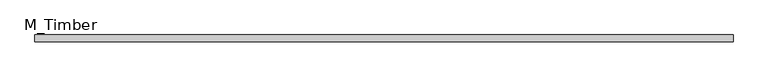
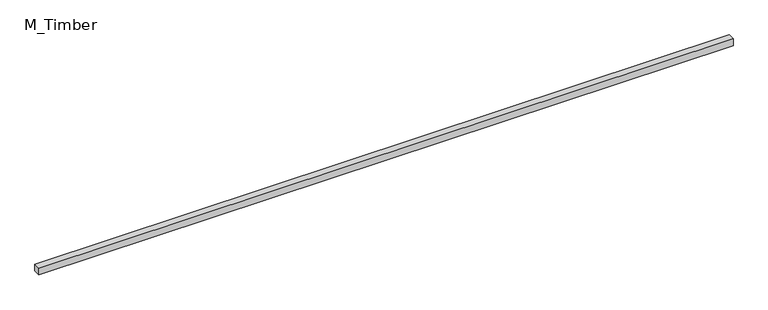
"""IFC4 building model written with IfcOpenShell, lengths in millimetres: beam geometry, M_Timber."""

from ifc_helpers import new_model, si_unit, frame, origin, place, context, project, spatial, polyline, outline, extrude, source, transform, mapped, element, save


def m_timber_2a107eef(model_context):
    return source(origin(), model_context, "Body", "SweptSolid", [
        extrude(outline(polyline([(1988.6100074, 20.0), (1988.6100074, -20.0), (-1988.6100074, -20.0), (-1988.6100074, 20.0), (1988.6100074, 20.0)])), frame((0.0, 0.0, -20.0), z_axis=(0.0, 0.0, 1.0), x_axis=(1.0, 0.0, 0.0)), (0.0, 0.0, 1.0), 40.0),
    ])


if __name__ == "__main__":
    model = new_model("IFC4")
    model_context = context("Model", 3, world=origin())
    ifc_project = project(units=[si_unit("LENGTHUNIT", "METRE", prefix="MILLI")], contexts=[model_context])
    site = spatial("IfcSite", under=ifc_project)
    building = spatial("IfcBuilding", under=site)
    placement = place(None, origin())
    m_timber_shape = m_timber_2a107eef(model_context)
    element("IfcBeam", 1, ObjectType="M_Timber", at=placement, inside=building, context=model_context, shape_type="MappedRepresentation", body=[
        mapped(m_timber_shape, transform((0.0, 0.0, 0.0), x_axis=(1.0, 0.0, 0.0), y_axis=(0.0, 1.0, 0.0), z_axis=(0.0, 0.0, 1.0))),
    ])
    save(model, "model.ifc")
